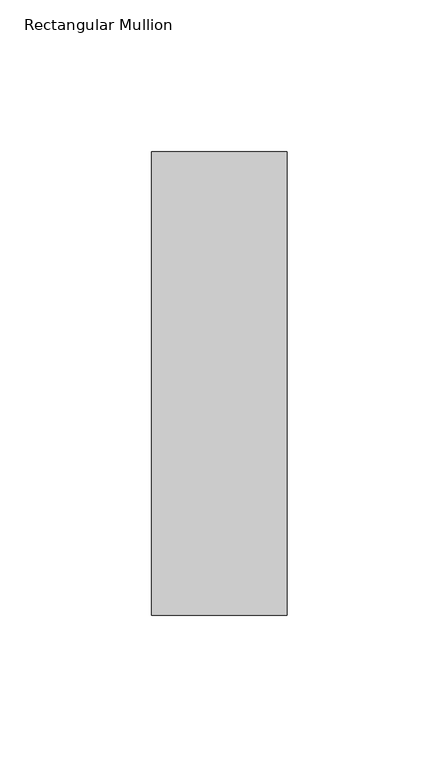
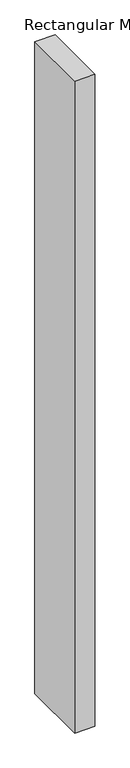
"""IFC4 building model written with IfcOpenShell, lengths in millimetres: member geometry, Rectangular Mullion."""

from ifc_helpers import new_model, si_unit, frame, origin, place, context, project, spatial, polyline, outline, extrude, source, transform, mapped, element, save


def rectangular_mullion_6c7270de(model_context):
    return source(origin(), model_context, "Body", "SweptSolid", [
        extrude(outline(polyline([(0.0, 76.1906616), (0.0, -76.2033616), (-44.45, -76.2033616), (-44.45, 76.1906616), (0.0, 76.1906616)])), frame((0.0, 0.0, -1524.0), z_axis=(0.0, 0.0, 1.0), x_axis=(1.0, 0.0, 0.0)), (0.0, 0.0, 1.0), 1524.0),
    ])


if __name__ == "__main__":
    model = new_model("IFC4")
    model_context = context("Model", 3, world=origin())
    ifc_project = project(units=[si_unit("LENGTHUNIT", "METRE", prefix="MILLI")], contexts=[model_context])
    site = spatial("IfcSite", under=ifc_project)
    building = spatial("IfcBuilding", under=site)
    placement = place(None, origin())
    rectangular_mullion_shape = rectangular_mullion_6c7270de(model_context)
    element("IfcMember", 1, ObjectType="Rectangular Mullion", at=placement, inside=building, context=model_context, shape_type="MappedRepresentation", body=[
        mapped(rectangular_mullion_shape, transform((0.0, 0.0, 0.0), x_axis=(1.0, 0.0, 0.0), y_axis=(0.0, 1.0, 0.0), z_axis=(0.0, 0.0, 1.0))),
    ])
    save(model, "model.ifc")
